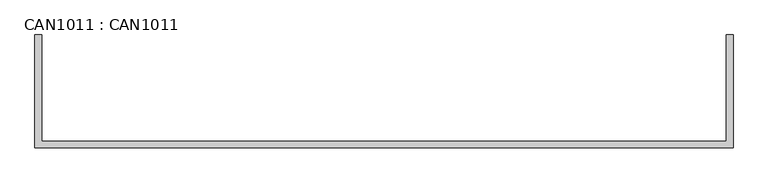
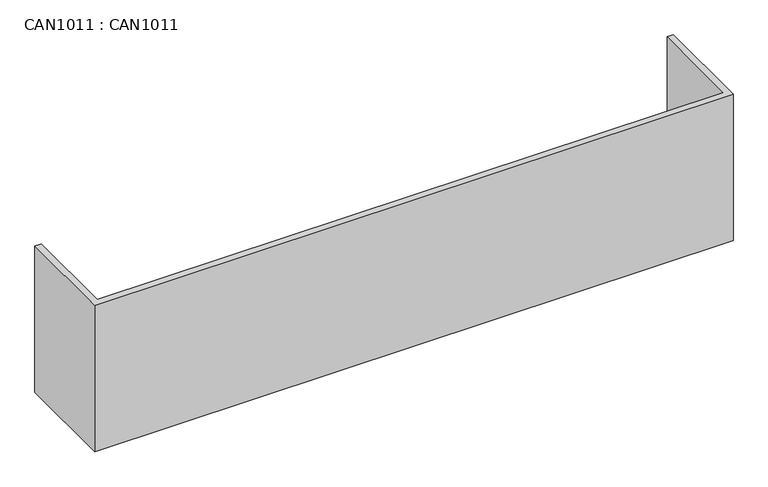
"""IFC4 building model written with IfcOpenShell, lengths in millimetres: proxy geometry, CAN1011 : CAN1011."""

import ifcopenshell
import ifcopenshell.guid

model = None  # the IFC model being written
_history = None  # IfcOwnerHistory: only IFC2X3 demands one
_inside = {}  # id of a spatial element -> (the spatial element, [elements in it])
_under = {}  # id of a project, library or spatial element -> (it, [spatial elements below it])
_declared = {}  # id of a project -> (the project, [libraries it declares])
_typed = {}  # id of a type object -> (the type object, [elements of that type])
_made_of = {}  # id of a material, layer set ... -> (it, [elements and type objects made of it])


def new_model(schema):
    """Start an empty IFC model of exactly this schema.

    Asked for "IFC4X3", IfcOpenShell would pick the latest addendum, in which some entities
    have other attributes; the version numbers below select the first issue.
    IFC2X3 requires an IfcOwnerHistory on every rooted entity: one is made here for all.
    """
    global model, _history
    if schema == "IFC4X3":
        model = ifcopenshell.file(schema_version=(4, 3, 0, 0))
    else:
        model = ifcopenshell.file(schema=schema)
    _inside.clear()
    _under.clear()
    _declared.clear()
    _typed.clear()
    _made_of.clear()
    _history = None
    if model.schema == "IFC2X3":
        org = make("IfcOrganization", Name="unknown")
        user = make(
            "IfcPersonAndOrganization",
            ThePerson=make("IfcPerson", FamilyName="unknown"),
            TheOrganization=org,
        )
        app = make(
            "IfcApplication",
            ApplicationDeveloper=org,
            Version="unknown",
            ApplicationFullName="unknown",
            ApplicationIdentifier="unknown",
        )
        _history = make(
            "IfcOwnerHistory",
            OwningUser=user,
            OwningApplication=app,
            ChangeAction="ADDED",
            CreationDate=0,
        )
    return model


def make(cls, **values):
    """One entity of the class cls with the attributes given. An attribute that is None is left unset."""
    return model.create_entity(
        cls, **{name: value for name, value in values.items() if value is not None}
    )


def rooted(cls, **values):
    """An entity with a GlobalId (a new one), such as an element, a storey or a relation."""
    return make(cls, GlobalId=ifcopenshell.guid.new(), OwnerHistory=_history, **values)


def si_unit(unit_type, name, prefix=None):
    """IfcSIUnit, for example si_unit("LENGTHUNIT", "METRE", prefix="MILLI")."""
    return make("IfcSIUnit", UnitType=unit_type, Prefix=prefix, Name=name)


def assignment(units):
    """IfcUnitAssignment: the units of a project."""
    return None if units is None else make("IfcUnitAssignment", Units=units)


def point(xyz):
    """IfcCartesianPoint."""
    return None if xyz is None else make("IfcCartesianPoint", Coordinates=xyz)


def direction(xyz):
    """IfcDirection."""
    return None if xyz is None else make("IfcDirection", DirectionRatios=xyz)


def frame(location, z_axis=None, x_axis=None):
    """IfcAxis2Placement3D, a coordinate frame: its origin and axes. An axis left out is left unset."""
    return make(
        "IfcAxis2Placement3D",
        Location=point(location),
        Axis=direction(z_axis),
        RefDirection=direction(x_axis),
    )


def origin():
    """The frame at (0, 0, 0) with its axes left unset."""
    return frame((0.0, 0.0, 0.0))


def origin_with_axes():
    """The frame at (0, 0, 0) with the z axis (0, 0, 1) and the x axis (1, 0, 0) written out."""
    return frame((0.0, 0.0, 0.0), z_axis=(0.0, 0.0, 1.0), x_axis=(1.0, 0.0, 0.0))


def place(relative_to, where):
    """IfcLocalPlacement: puts the frame where relative to a parent placement (None: the world)."""
    return make(
        "IfcLocalPlacement", PlacementRelTo=relative_to, RelativePlacement=where
    )


def context(
    kind, dimensions, precision=None, world=None, true_north=None, identifier=None
):
    """IfcGeometricRepresentationContext, for example the 3D "Model" context."""
    return make(
        "IfcGeometricRepresentationContext",
        ContextIdentifier=identifier,
        ContextType=kind,
        CoordinateSpaceDimension=dimensions,
        Precision=precision,
        WorldCoordinateSystem=world,
        TrueNorth=true_north,
    )


def project(units=None, contexts=None):
    """IfcProject with its units and contexts."""
    return rooted(
        "IfcProject",
        Name="project",
        RepresentationContexts=contexts,
        UnitsInContext=assignment(units),
    )


def spatial(cls, under=None, at=None, **own):
    """A site, building, storey or space (cls), placed at a placement, below another one or the project."""
    s = rooted(cls, ObjectPlacement=at, **own)
    if under is not None:
        _under.setdefault(under.id(), (under, []))[1].append(s)
    return s


def polyline(points):
    """IfcPolyline through the points."""
    return make("IfcPolyline", Points=[point(p) for p in points])


def outline(outer, holes=None, kind="AREA"):
    """IfcArbitraryClosedProfileDef: a profile drawn as a closed curve; with holes, ...WithVoids."""
    if holes is None:
        return make("IfcArbitraryClosedProfileDef", ProfileType=kind, OuterCurve=outer)
    return make(
        "IfcArbitraryProfileDefWithVoids",
        ProfileType=kind,
        OuterCurve=outer,
        InnerCurves=holes,
    )


def extrude(swept, where, along, depth):
    """IfcExtrudedAreaSolid: the profile swept, set in the frame where, extruded along a direction by depth."""
    return make(
        "IfcExtrudedAreaSolid",
        SweptArea=swept,
        Position=where,
        ExtrudedDirection=direction(along),
        Depth=depth,
    )


def shape(context_of_items, identifier, shape_type, items):
    """IfcShapeRepresentation: the items that make up one representation, for example the "Body"."""
    return make(
        "IfcShapeRepresentation",
        ContextOfItems=context_of_items,
        RepresentationIdentifier=identifier,
        RepresentationType=shape_type,
        Items=items,
    )


def source(mapping_origin, context_of_items, identifier, shape_type, items):
    """IfcRepresentationMap: a shape defined once, which mapped items show again and again."""
    return make(
        "IfcRepresentationMap",
        MappingOrigin=mapping_origin,
        MappedRepresentation=shape(context_of_items, identifier, shape_type, items),
    )


def transform(
    local_origin,
    x_axis=None,
    y_axis=None,
    z_axis=None,
    scale=None,
    scale2=None,
    scale3=None,
    uniform=True,
):
    """IfcCartesianTransformationOperator3D, or its non-uniform kind. x_axis, y_axis, z_axis: its Axis1, 2, 3."""
    if uniform:
        return make(
            "IfcCartesianTransformationOperator3D",
            Axis1=direction(x_axis),
            Axis2=direction(y_axis),
            LocalOrigin=point(local_origin),
            Scale=scale,
            Axis3=direction(z_axis),
        )
    return make(
        "IfcCartesianTransformationOperator3DnonUniform",
        Axis1=direction(x_axis),
        Axis2=direction(y_axis),
        LocalOrigin=point(local_origin),
        Scale=scale,
        Axis3=direction(z_axis),
        Scale2=scale2,
        Scale3=scale3,
    )


def mapped(mapping_source, mapping_target):
    """IfcMappedItem: shows the shape of a source again, moved by a transform."""
    return make(
        "IfcMappedItem", MappingSource=mapping_source, MappingTarget=mapping_target
    )


def made_of(thing, what):
    """Note that an element or type object is made of a material, layer set ...; save() writes the relation."""
    if what is not None:
        _made_of.setdefault(what.id(), (what, []))[1].append(thing)
    return thing


def element(
    cls,
    number,
    at=None,
    inside=None,
    cuts=None,
    type_object=None,
    material=None,
    context=None,
    identifier="Body",
    shape_type=None,
    held_by="IfcProductDefinitionShape",
    body=None,
    shapes=None,
    **own,
):
    """One element of the class cls, such as IfcWall. Its Tag is "e" and its number.

    at: its placement. inside: the storey or other place that contains it. cuts: it is an
    opening in that element (IfcRelVoidsElement). A single representation is given by context,
    identifier, shape_type and body (its items); several are given by shapes. held_by: the class
    of the entity that holds the representations. save() writes the other relations.
    """
    e = rooted(cls, Tag="e%d" % number, ObjectPlacement=at, **own)
    if body is not None:
        shapes = [shape(context, identifier, shape_type, body)]
    if shapes is not None:
        e.Representation = make(held_by, Representations=shapes)
    if inside is not None:
        _inside.setdefault(inside.id(), (inside, []))[1].append(e)
    if cuts is not None:
        rooted(
            "IfcRelVoidsElement", RelatingBuildingElement=cuts, RelatedOpeningElement=e
        )
    if type_object is not None:
        _typed.setdefault(type_object.id(), (type_object, []))[1].append(e)
    return made_of(e, material)


def aggregate(whole, parts):
    """IfcRelAggregates: a whole, such as a stair, and the parts it consists of."""
    return rooted("IfcRelAggregates", RelatingObject=whole, RelatedObjects=parts)


def save(model, path):
    """Write the relations noted so far, then the file.

    IfcRelAggregates (storeys below a building ...), IfcRelContainedInSpatialStructure (elements
    in a storey), IfcRelDefinesByType, IfcRelAssociatesMaterial and IfcRelDeclares: one each for
    every whole, place, type object, material and project.
    """
    for whole, parts in _under.values():
        aggregate(whole, parts)
    for where, things in _inside.values():
        rooted(
            "IfcRelContainedInSpatialStructure",
            RelatedElements=things,
            RelatingStructure=where,
        )
    for kind, things in _typed.values():
        rooted("IfcRelDefinesByType", RelatedObjects=things, RelatingType=kind)
    for what, things in _made_of.values():
        rooted("IfcRelAssociatesMaterial", RelatedObjects=things, RelatingMaterial=what)
    for by, libraries in _declared.values():
        rooted("IfcRelDeclares", RelatingContext=by, RelatedDefinitions=libraries)
    model.write(path)


def can1011_can1011_f1574795(model_context):
    return source(origin(), model_context, "Body", "SweptSolid", [
        extrude(outline(polyline([(9.0, 0.0), (9.0, -282.0), (1828.0, -282.0), (1828.0, 0.0), (1846.0, 0.0), (1846.0, -300.0), (-9.0, -300.0), (-9.0, 0.0), (9.0, 0.0)])), origin_with_axes(), (0.0, 0.0, 1.0), 450.0),
    ])


if __name__ == "__main__":
    model = new_model("IFC4")
    model_context = context("Model", 3, world=origin())
    ifc_project = project(units=[si_unit("LENGTHUNIT", "METRE", prefix="MILLI")], contexts=[model_context])
    site = spatial("IfcSite", under=ifc_project)
    building = spatial("IfcBuilding", under=site)
    placement = place(None, origin())
    can1011_can1011_shape = can1011_can1011_f1574795(model_context)
    element("IfcBuildingElementProxy", 1, Name="CAN1011 : CAN1011", ObjectType="CAN1011 : CAN1011", at=placement, inside=building, context=model_context, shape_type="MappedRepresentation", body=[
        mapped(can1011_can1011_shape, transform((0.0, 0.0, 0.0), x_axis=(1.0, 0.0, 0.0), y_axis=(0.0, 1.0, 0.0), z_axis=(0.0, 0.0, 1.0))),
    ])
    save(model, "model.ifc")
